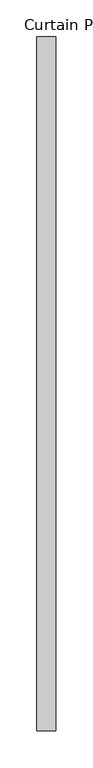
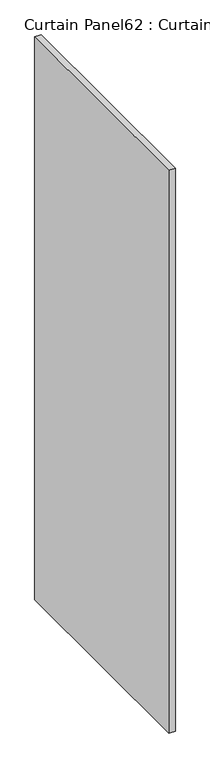
"""IFC4 building model written with IfcOpenShell, lengths in millimetres: plate geometry, Curtain Panel62 : Curtain Panel."""

import ifcopenshell
import ifcopenshell.guid

model = None  # the IFC model being written
_history = None  # IfcOwnerHistory: only IFC2X3 demands one
_inside = {}  # id of a spatial element -> (the spatial element, [elements in it])
_under = {}  # id of a project, library or spatial element -> (it, [spatial elements below it])
_declared = {}  # id of a project -> (the project, [libraries it declares])
_typed = {}  # id of a type object -> (the type object, [elements of that type])
_made_of = {}  # id of a material, layer set ... -> (it, [elements and type objects made of it])


def new_model(schema):
    """Start an empty IFC model of exactly this schema.

    Asked for "IFC4X3", IfcOpenShell would pick the latest addendum, in which some entities
    have other attributes; the version numbers below select the first issue.
    IFC2X3 requires an IfcOwnerHistory on every rooted entity: one is made here for all.
    """
    global model, _history
    if schema == "IFC4X3":
        model = ifcopenshell.file(schema_version=(4, 3, 0, 0))
    else:
        model = ifcopenshell.file(schema=schema)
    _inside.clear()
    _under.clear()
    _declared.clear()
    _typed.clear()
    _made_of.clear()
    _history = None
    if model.schema == "IFC2X3":
        org = make("IfcOrganization", Name="unknown")
        user = make(
            "IfcPersonAndOrganization",
            ThePerson=make("IfcPerson", FamilyName="unknown"),
            TheOrganization=org,
        )
        app = make(
            "IfcApplication",
            ApplicationDeveloper=org,
            Version="unknown",
            ApplicationFullName="unknown",
            ApplicationIdentifier="unknown",
        )
        _history = make(
            "IfcOwnerHistory",
            OwningUser=user,
            OwningApplication=app,
            ChangeAction="ADDED",
            CreationDate=0,
        )
    return model


def make(cls, **values):
    """One entity of the class cls with the attributes given. An attribute that is None is left unset."""
    return model.create_entity(
        cls, **{name: value for name, value in values.items() if value is not None}
    )


def rooted(cls, **values):
    """An entity with a GlobalId (a new one), such as an element, a storey or a relation."""
    return make(cls, GlobalId=ifcopenshell.guid.new(), OwnerHistory=_history, **values)


def si_unit(unit_type, name, prefix=None):
    """IfcSIUnit, for example si_unit("LENGTHUNIT", "METRE", prefix="MILLI")."""
    return make("IfcSIUnit", UnitType=unit_type, Prefix=prefix, Name=name)


def assignment(units):
    """IfcUnitAssignment: the units of a project."""
    return None if units is None else make("IfcUnitAssignment", Units=units)


def point(xyz):
    """IfcCartesianPoint."""
    return None if xyz is None else make("IfcCartesianPoint", Coordinates=xyz)


def direction(xyz):
    """IfcDirection."""
    return None if xyz is None else make("IfcDirection", DirectionRatios=xyz)


def frame(location, z_axis=None, x_axis=None):
    """IfcAxis2Placement3D, a coordinate frame: its origin and axes. An axis left out is left unset."""
    return make(
        "IfcAxis2Placement3D",
        Location=point(location),
        Axis=direction(z_axis),
        RefDirection=direction(x_axis),
    )


def origin():
    """The frame at (0, 0, 0) with its axes left unset."""
    return frame((0.0, 0.0, 0.0))


def place(relative_to, where):
    """IfcLocalPlacement: puts the frame where relative to a parent placement (None: the world)."""
    return make(
        "IfcLocalPlacement", PlacementRelTo=relative_to, RelativePlacement=where
    )


def context(
    kind, dimensions, precision=None, world=None, true_north=None, identifier=None
):
    """IfcGeometricRepresentationContext, for example the 3D "Model" context."""
    return make(
        "IfcGeometricRepresentationContext",
        ContextIdentifier=identifier,
        ContextType=kind,
        CoordinateSpaceDimension=dimensions,
        Precision=precision,
        WorldCoordinateSystem=world,
        TrueNorth=true_north,
    )


def project(units=None, contexts=None):
    """IfcProject with its units and contexts."""
    return rooted(
        "IfcProject",
        Name="project",
        RepresentationContexts=contexts,
        UnitsInContext=assignment(units),
    )


def spatial(cls, under=None, at=None, **own):
    """A site, building, storey or space (cls), placed at a placement, below another one or the project."""
    s = rooted(cls, ObjectPlacement=at, **own)
    if under is not None:
        _under.setdefault(under.id(), (under, []))[1].append(s)
    return s


def polyline(points):
    """IfcPolyline through the points."""
    return make("IfcPolyline", Points=[point(p) for p in points])


def outline(outer, holes=None, kind="AREA"):
    """IfcArbitraryClosedProfileDef: a profile drawn as a closed curve; with holes, ...WithVoids."""
    if holes is None:
        return make("IfcArbitraryClosedProfileDef", ProfileType=kind, OuterCurve=outer)
    return make(
        "IfcArbitraryProfileDefWithVoids",
        ProfileType=kind,
        OuterCurve=outer,
        InnerCurves=holes,
    )


def extrude(swept, where, along, depth):
    """IfcExtrudedAreaSolid: the profile swept, set in the frame where, extruded along a direction by depth."""
    return make(
        "IfcExtrudedAreaSolid",
        SweptArea=swept,
        Position=where,
        ExtrudedDirection=direction(along),
        Depth=depth,
    )


def shape(context_of_items, identifier, shape_type, items):
    """IfcShapeRepresentation: the items that make up one representation, for example the "Body"."""
    return make(
        "IfcShapeRepresentation",
        ContextOfItems=context_of_items,
        RepresentationIdentifier=identifier,
        RepresentationType=shape_type,
        Items=items,
    )


def source(mapping_origin, context_of_items, identifier, shape_type, items):
    """IfcRepresentationMap: a shape defined once, which mapped items show again and again."""
    return make(
        "IfcRepresentationMap",
        MappingOrigin=mapping_origin,
        MappedRepresentation=shape(context_of_items, identifier, shape_type, items),
    )


def transform(
    local_origin,
    x_axis=None,
    y_axis=None,
    z_axis=None,
    scale=None,
    scale2=None,
    scale3=None,
    uniform=True,
):
    """IfcCartesianTransformationOperator3D, or its non-uniform kind. x_axis, y_axis, z_axis: its Axis1, 2, 3."""
    if uniform:
        return make(
            "IfcCartesianTransformationOperator3D",
            Axis1=direction(x_axis),
            Axis2=direction(y_axis),
            LocalOrigin=point(local_origin),
            Scale=scale,
            Axis3=direction(z_axis),
        )
    return make(
        "IfcCartesianTransformationOperator3DnonUniform",
        Axis1=direction(x_axis),
        Axis2=direction(y_axis),
        LocalOrigin=point(local_origin),
        Scale=scale,
        Axis3=direction(z_axis),
        Scale2=scale2,
        Scale3=scale3,
    )


def mapped(mapping_source, mapping_target):
    """IfcMappedItem: shows the shape of a source again, moved by a transform."""
    return make(
        "IfcMappedItem", MappingSource=mapping_source, MappingTarget=mapping_target
    )


def made_of(thing, what):
    """Note that an element or type object is made of a material, layer set ...; save() writes the relation."""
    if what is not None:
        _made_of.setdefault(what.id(), (what, []))[1].append(thing)
    return thing


def element(
    cls,
    number,
    at=None,
    inside=None,
    cuts=None,
    type_object=None,
    material=None,
    context=None,
    identifier="Body",
    shape_type=None,
    held_by="IfcProductDefinitionShape",
    body=None,
    shapes=None,
    **own,
):
    """One element of the class cls, such as IfcWall. Its Tag is "e" and its number.

    at: its placement. inside: the storey or other place that contains it. cuts: it is an
    opening in that element (IfcRelVoidsElement). A single representation is given by context,
    identifier, shape_type and body (its items); several are given by shapes. held_by: the class
    of the entity that holds the representations. save() writes the other relations.
    """
    e = rooted(cls, Tag="e%d" % number, ObjectPlacement=at, **own)
    if body is not None:
        shapes = [shape(context, identifier, shape_type, body)]
    if shapes is not None:
        e.Representation = make(held_by, Representations=shapes)
    if inside is not None:
        _inside.setdefault(inside.id(), (inside, []))[1].append(e)
    if cuts is not None:
        rooted(
            "IfcRelVoidsElement", RelatingBuildingElement=cuts, RelatedOpeningElement=e
        )
    if type_object is not None:
        _typed.setdefault(type_object.id(), (type_object, []))[1].append(e)
    return made_of(e, material)


def aggregate(whole, parts):
    """IfcRelAggregates: a whole, such as a stair, and the parts it consists of."""
    return rooted("IfcRelAggregates", RelatingObject=whole, RelatedObjects=parts)


def save(model, path):
    """Write the relations noted so far, then the file.

    IfcRelAggregates (storeys below a building ...), IfcRelContainedInSpatialStructure (elements
    in a storey), IfcRelDefinesByType, IfcRelAssociatesMaterial and IfcRelDeclares: one each for
    every whole, place, type object, material and project.
    """
    for whole, parts in _under.values():
        aggregate(whole, parts)
    for where, things in _inside.values():
        rooted(
            "IfcRelContainedInSpatialStructure",
            RelatedElements=things,
            RelatingStructure=where,
        )
    for kind, things in _typed.values():
        rooted("IfcRelDefinesByType", RelatedObjects=things, RelatingType=kind)
    for what, things in _made_of.values():
        rooted("IfcRelAssociatesMaterial", RelatedObjects=things, RelatingMaterial=what)
    for by, libraries in _declared.values():
        rooted("IfcRelDeclares", RelatingContext=by, RelatedDefinitions=libraries)
    model.write(path)


def curtain_panel62_curtain_panel_ea630f76(model_context):
    return source(origin(), model_context, "Body", "SweptSolid", [
        extrude(outline(polyline([(-38237.456025, -2869.3631042), (-38237.456025, -3809.6577532), (-38262.856025, -3809.6577532), (-38262.856025, -2869.3631042), (-38237.456025, -2869.3631042)])), frame((0.0, 0.0, 57.15), z_axis=(0.0, 0.0, 1.0), x_axis=(1.0, 0.0, 0.0)), (0.0, 0.0, 1.0), 2403.4907618),
    ])


if __name__ == "__main__":
    model = new_model("IFC4")
    model_context = context("Model", 3, world=origin())
    ifc_project = project(units=[si_unit("LENGTHUNIT", "METRE", prefix="MILLI")], contexts=[model_context])
    site = spatial("IfcSite", under=ifc_project)
    building = spatial("IfcBuilding", under=site)
    placement = place(None, origin())
    curtain_panel62_curtain_panel_shape = curtain_panel62_curtain_panel_ea630f76(model_context)
    element("IfcPlate", 1, ObjectType="Curtain Panel62 : Curtain Panel", at=placement, inside=building, context=model_context, shape_type="MappedRepresentation", body=[
        mapped(curtain_panel62_curtain_panel_shape, transform((0.0, 0.0, 0.0), x_axis=(1.0, 0.0, 0.0), y_axis=(0.0, 1.0, 0.0), z_axis=(0.0, 0.0, 1.0))),
    ])
    save(model, "model.ifc")
